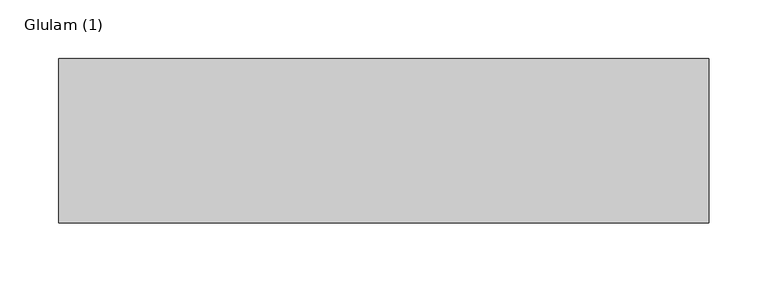
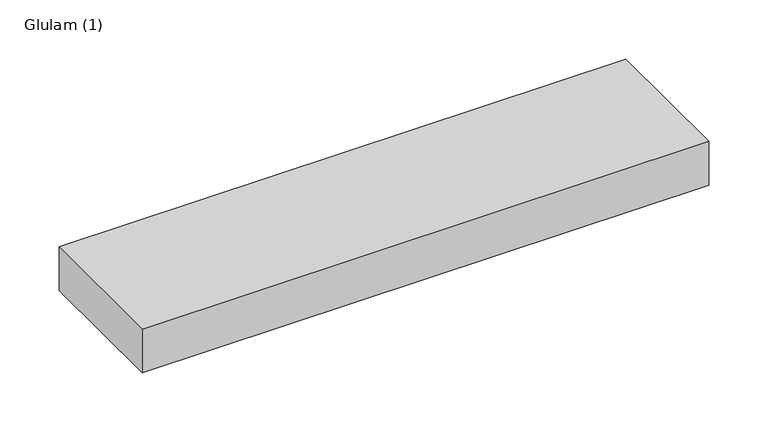
"""IFC4 building model written with IfcOpenShell, lengths in millimetres: beam geometry, Glulam (1)."""

from ifc_helpers import new_model, si_unit, frame, origin, place, context, project, spatial, polyline, outline, extrude, source, transform, mapped, element, save


def glulam_1_83f60a41(model_context):
    return source(origin(), model_context, "Body", "SweptSolid", [
        extrude(outline(polyline([(276.0, 70.0), (276.0, -70.0), (-277.0, -70.0), (-277.0, 70.0), (276.0, 70.0)])), frame((0.0, 0.0, -22.5), z_axis=(0.0, 0.0, 1.0), x_axis=(1.0, 0.0, 0.0)), (0.0, 0.0, 1.0), 45.0),
    ])


if __name__ == "__main__":
    model = new_model("IFC4")
    model_context = context("Model", 3, world=origin())
    ifc_project = project(units=[si_unit("LENGTHUNIT", "METRE", prefix="MILLI")], contexts=[model_context])
    site = spatial("IfcSite", under=ifc_project)
    building = spatial("IfcBuilding", under=site)
    placement = place(None, origin())
    glulam_1_shape = glulam_1_83f60a41(model_context)
    element("IfcBeam", 1, ObjectType="Glulam (1)", at=placement, inside=building, context=model_context, shape_type="MappedRepresentation", body=[
        mapped(glulam_1_shape, transform((0.0, 0.0, 0.0), x_axis=(1.0, 0.0, 0.0), y_axis=(0.0, 1.0, 0.0), z_axis=(0.0, 0.0, 1.0))),
    ])
    save(model, "model.ifc")
